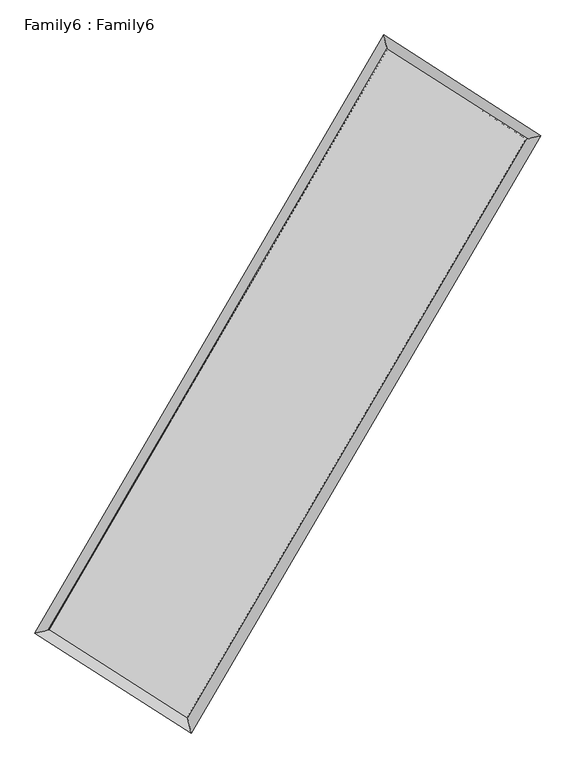
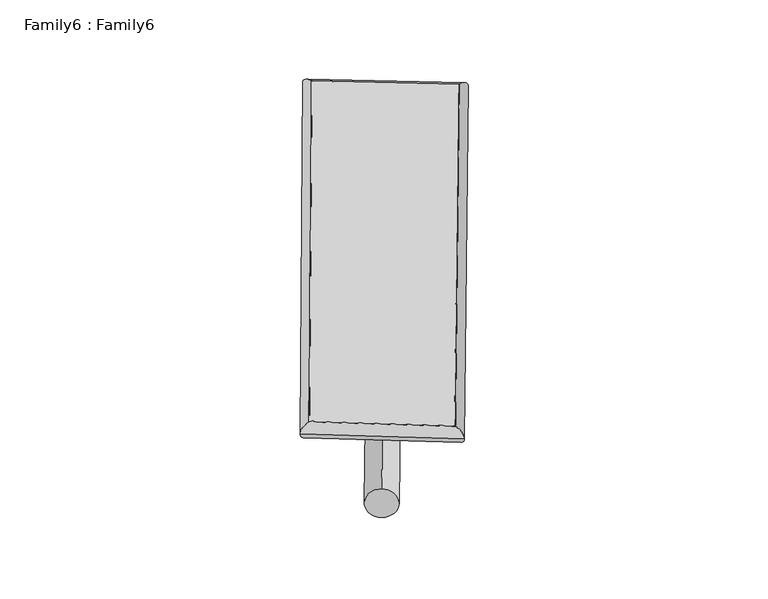
"""IFC4 building model written with IfcOpenShell, lengths in millimetres: plate geometry, Family6 : Family6."""

from ifc_helpers import new_model, si_unit, point, frame, origin, origin_2d, place, context, project, spatial, circle_curve, ellipse_curve, trimmed, segment, composite_curve, outline, extrude, source, transform, mapped, element, save
from ifc_brep_helpers import plane_surface, cylinder_surface, spline_surface, advanced_brep


def family6_family6_2792eb8b(model_context):
    return source(origin(), model_context, "Body", "SolidModel", [
        extrude(outline(composite_curve([segment(trimmed(circle_curve(origin_2d(), 76.2), [point((-75.4341514, -10.7763074))], [point((75.4341514, 10.7763074))], False, "CARTESIAN"), True, "CONTINUOUS"), segment(trimmed(circle_curve(origin_2d(), 76.2), [point((75.4341514, 10.7763074))], [point((-75.4341514, -10.7763074))], False, "CARTESIAN"), True, "CONTINUOUS")], self_intersect=False)), frame((9144.0, 9144.0, 0.0), z_axis=(0.6721116376129265, 0.6868755689366391, 0.27652829761751063), x_axis=(-0.6792385267957697, 0.7206228318183011, -0.13906026743281172)), (0.0, 0.0, 1.0), 5533.2985602),
        extrude(outline(composite_curve([segment(trimmed(circle_curve(origin_2d(), 76.2), [point((-53.8815367, 53.8815367))], [point((53.8815367, -53.8815367))], False, "CARTESIAN"), True, "CONTINUOUS"), segment(trimmed(circle_curve(origin_2d(), 76.2), [point((53.8815367, -53.8815367))], [point((-53.8815367, 53.8815367))], False, "CARTESIAN"), True, "CONTINUOUS")], self_intersect=False)), frame((9144.0, 9144.0, 0.0), z_axis=(-0.6706692522485567, -0.6882657409826498, 0.2765737223200465), x_axis=(0.6443737359742046, -0.3559195914525335, 0.6768336079177126)), (0.0, 0.0, 1.0), 5532.3110645),
        extrude(outline(composite_curve([segment(trimmed(circle_curve(origin_2d(), 76.2), [point((-53.8815367, -53.8815367))], [point((53.8815367, 53.8815367))], False, "CARTESIAN"), True, "CONTINUOUS"), segment(trimmed(circle_curve(origin_2d(), 76.2), [point((53.8815367, 53.8815367))], [point((-53.8815367, -53.8815367))], False, "CARTESIAN"), True, "CONTINUOUS")], self_intersect=False)), frame((9144.0, 9144.0, 0.0), z_axis=(0.27354992215589724, 0.9234474335974721, 0.269100868580436), x_axis=(-0.8395033633440835, 0.3657721417383535, -0.40180199509473546)), (0.0, 0.0, 1.0), 5630.2691828),
        extrude(outline(composite_curve([segment(trimmed(circle_curve(origin_2d(), 76.2), [point((-75.4341514, 10.7763074))], [point((75.4341514, -10.7763074))], False, "CARTESIAN"), True, "CONTINUOUS"), segment(trimmed(circle_curve(origin_2d(), 76.2), [point((75.4341514, -10.7763074))], [point((-75.4341514, 10.7763074))], False, "CARTESIAN"), True, "CONTINUOUS")], self_intersect=False)), frame((9144.0, 9144.0, 0.0), z_axis=(-0.27518693018291834, -0.9228918782702639, 0.2693375846020862), x_axis=(0.8787550171659267, -0.1278270752378336, 0.45983677391206246)), (0.0, 0.0, 1.0), 5624.8038166),
        advanced_brep(
        [(5228.3563263, 5286.729881, 1528.9134524), (5228.3494316, 5286.7196994, 1531.5963397), (5638.9418241, 5385.8697708, 1531.2702759), (10735.7033384, 14129.0795638, 1516.727439), (10632.6160549, 14557.4356909, 1513.4932159), (5638.9487188, 5385.8799523, 1528.5873886), (12657.546067, 12895.4698304, 1529.9611141), (13068.4426463, 12993.9053628, 1530.2661481), (7544.7351378, 4166.70596, 1515.2614768), (7647.5198719, 3739.1225216, 1514.6806708)],
        [
            (0, 1, ellipse_curve(frame((5433.6490752, 5336.2998259, 1530.0918641), z_axis=(-0.2347300797629843, 0.9720556918206382, 0.003085717673918917), x_axis=(-0.9720428779063349, -0.23474378292790582, 0.005291492064264514)), 211.2073243, 152.4)),
            (1, 2, ellipse_curve(frame((5433.6490752, 5336.2998259, 1530.0918641), z_axis=(-0.2347300797629843, 0.9720556918206382, 0.003085717673918917), x_axis=(-0.9720428779063349, -0.23474378292790582, 0.005291492064264514)), 211.2073243, 152.4)),
            (2, 3),
            (3, 4, ellipse_curve(frame((10684.1596967, 14343.2576273, 1515.1103274), z_axis=(-0.9722317303775996, -0.23399902176118118, -0.003149644708341581), x_axis=(0.23398191491630468, -0.9722280541474301, 0.005007416579523027)), 220.2995525, 152.4)),
            (4, 0),
            (2, 5, ellipse_curve(frame((5433.6490752, 5336.2998259, 1530.0918641), z_axis=(-0.2347300797629843, 0.9720556918206382, 0.003085717673918917), x_axis=(-0.9720428779063349, -0.23474378292790582, 0.005291492064264514)), 211.2073243, 152.4)),
            (5, 0, ellipse_curve(frame((5433.6490752, 5336.2998259, 1530.0918641), z_axis=(-0.2347300797629843, 0.9720556918206382, 0.003085717673918917), x_axis=(-0.9720428779063349, -0.23474378292790582, 0.005291492064264514)), 211.2073243, 152.4)),
            (4, 3, ellipse_curve(frame((10684.1596967, 14343.2576273, 1515.1103274), z_axis=(-0.9722317303775996, -0.23399902176118118, -0.003149644708341581), x_axis=(0.23398191491630468, -0.9722280541474301, 0.005007416579523027)), 220.2995525, 152.4)),
            (3, 6),
            (6, 7, ellipse_curve(frame((12862.9943567, 12944.6875966, 1530.1136311), z_axis=(-0.23296774515229784, 0.9724798064485689, -0.0030092803803915815), x_axis=(-0.9724672267638911, -0.2329809240539289, -0.005232771457297029)), 211.2634576, 152.4)),
            (7, 4),
            (7, 6, ellipse_curve(frame((12862.9943567, 12944.6875966, 1530.1136311), z_axis=(-0.23296774515229784, 0.9724798064485689, -0.0030092803803915815), x_axis=(-0.9724672267638911, -0.2329809240539289, -0.005232771457297029)), 211.2634576, 152.4)),
            (6, 8),
            (8, 9, ellipse_curve(frame((7596.1275048, 3952.9142408, 1514.9710738), z_axis=(0.972296274813296, 0.2337299906754301, -0.0032008503637529426), x_axis=(-0.23371230422642794, 0.9722924537502748, 0.005093450053086109)), 219.8838405, 152.4)),
            (9, 7),
            (9, 8, ellipse_curve(frame((7596.1275048, 3952.9142408, 1514.9710738), z_axis=(0.972296274813296, 0.2337299906754301, -0.0032008503637529426), x_axis=(-0.23371230422642794, 0.9722924537502748, 0.005093450053086109)), 219.8838405, 152.4)),
            (8, 5),
            (1, 9),
        ],
        [
            cylinder_surface(frame((5433.6490752, 5336.2998259, 1530.0918641), z_axis=(-0.5036165622889963, -0.8639260924625962, 0.001436993571131508), x_axis=(-0.863897719745076, 0.5035848681109432, -0.009111005923728264)), 152.4),
            cylinder_surface(frame((10684.1596967, 14343.2576273, 1515.1103274), z_axis=(-0.8415347468171601, 0.5401719085404529, -0.005794749618652677), x_axis=(0.5401976046932401, 0.8415258364132304, -0.004562294674706697)), 152.4),
            cylinder_surface(frame((12862.9943567, 12944.6875966, 1530.1136311), z_axis=(0.5054209222415991, 0.8628717053051004, 0.0014531153842122307), x_axis=(0.8628728387939572, -0.5054209222415991, -0.00039424879100395405)), 152.4),
            cylinder_surface(frame((7596.1275048, 3952.9142408, 1514.9710738), z_axis=(0.8423629980034374, -0.5388783595814853, -0.0058900907826884745), x_axis=(-0.5388619678871629, -0.8423835043083835, 0.004220335757015604)), 152.4),
        ],
        [
            (0, [[1, 2, 3, 4, 5]]),
            (0, [[6, 7, -5, 8, -3]]),
            (1, [[-4, 9, 10, 11]]),
            (1, [[-8, -11, 12, -9]]),
            (2, [[-10, 13, 14, 15]]),
            (2, [[-12, -15, 16, -13]]),
            (3, [[-14, 17, -6, -2, 18]]),
            (3, [[-16, -18, -1, -7, -17]]),
        ],
    ),
        extrude(outline(composite_curve([segment(trimmed(circle_curve(origin_2d(), 304.8), [point((0.0, 304.8))], [point((0.0, -304.8))], False, "CARTESIAN"), True, "CONTINUOUS"), segment(trimmed(circle_curve(origin_2d(), 304.8), [point((0.0, -304.8))], [point((0.0, 304.8))], False, "CARTESIAN"), True, "CONTINUOUS")], self_intersect=False)), frame((11787.375141, 13649.1122921, -0.0007031), z_axis=(-0.5060681530849866, -0.8624934924004543, 1.346139713955967e-07), x_axis=(-0.8624934924004639, 0.5060681530849866, -3.6576688273849574e-08)), (0.0, 0.0, 1.0), 10446.7160201),
        advanced_brep(
        [(5433.6490752, 5336.2998259, 1530.0918641), (7596.1275048, 3952.9142408, 1514.9710738), (7596.1266394, 3952.9134317, 1667.3710738), (5433.6482097, 5336.2990167, 1682.4918641), (12862.9943567, 12944.6875966, 1530.1136311), (12862.9934912, 12944.6867874, 1682.5136311), (10684.1596967, 14343.2576273, 1515.1103274), (10684.1588312, 14343.2568182, 1667.5103274)],
        [
            (0, 1),
            (1, 2),
            (2, 3),
            (3, 0),
            (1, 4),
            (4, 5),
            (5, 2),
            (4, 6),
            (6, 7),
            (7, 5),
            (6, 0),
            (3, 7),
        ],
        [
            plane_surface(frame((6514.88829, 4644.6070333, 1522.531469), z_axis=(-0.5388877448855652, -0.8423775865699443, -7.533006853589416e-06), x_axis=(0.8423629980034376, -0.5388783595814852, -0.005890090782688469))),
            plane_surface(frame((10229.5609308, 8448.8009187, 1522.5423524), z_axis=(0.8628726146723537, -0.5054214586299066, 2.216656703347931e-06), x_axis=(0.5054209222415988, 0.8628717053051003, 0.001453115384212239))),
            plane_surface(frame((11773.5770267, 13643.972612, 1522.6119792), z_axis=(0.540180941252869, 0.8415488997380806, 7.535950910588472e-06), x_axis=(-0.8415347468171602, 0.5401719085404527, -0.0057947496186526734))),
            plane_surface(frame((8058.9043859, 9839.7787266, 1522.6010958), z_axis=(-0.8639269860595943, 0.5036170794889735, -2.2322249520842106e-06), x_axis=(-0.5036165622889962, -0.8639260924625961, 0.0014369935711315118))),
            spline_surface(1, 1, [[(7596.1266394, 3952.9134317, 1667.3710738), (5433.6482097, 5336.2990167, 1682.4918641)], [(12862.9934912, 12944.6867874, 1682.5136311), (10684.1588312, 14343.2568182, 1667.5103274)]], [2, 2], [2, 2], [0.0, 1.0], [0.0, 1.0]),
            spline_surface(1, 1, [[(10684.1596967, 14343.2576273, 1515.1103274), (5433.6490752, 5336.2998259, 1530.0918641)], [(12862.9943567, 12944.6875966, 1530.1136311), (7596.1275048, 3952.9142408, 1514.9710738)]], [2, 2], [2, 2], [0.0, 1.0], [0.0, 1.0]),
        ],
        [
            (0, [[1, 2, 3, 4]]),
            (1, [[5, 6, 7, -2]]),
            (2, [[8, 9, 10, -6]]),
            (3, [[11, -4, 12, -9]]),
            (4, [[-3, -7, -10, -12]]),
            (5, [[-11, -8, -5, -1]]),
        ],
    ),
    ])


if __name__ == "__main__":
    model = new_model("IFC4")
    model_context = context("Model", 3, world=origin())
    ifc_project = project(units=[si_unit("LENGTHUNIT", "METRE", prefix="MILLI")], contexts=[model_context])
    site = spatial("IfcSite", under=ifc_project)
    building = spatial("IfcBuilding", under=site)
    placement = place(None, origin())
    family6_family6_shape = family6_family6_2792eb8b(model_context)
    element("IfcPlate", 1, ObjectType="Family6 : Family6", at=placement, inside=building, context=model_context, shape_type="MappedRepresentation", body=[
        mapped(family6_family6_shape, transform((0.0, 0.0, 0.0), x_axis=(1.0, 0.0, 0.0), y_axis=(0.0, 1.0, 0.0), z_axis=(0.0, 0.0, 1.0))),
    ])
    save(model, "model.ifc")
